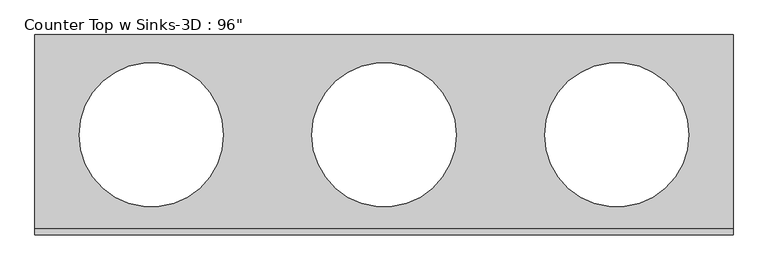
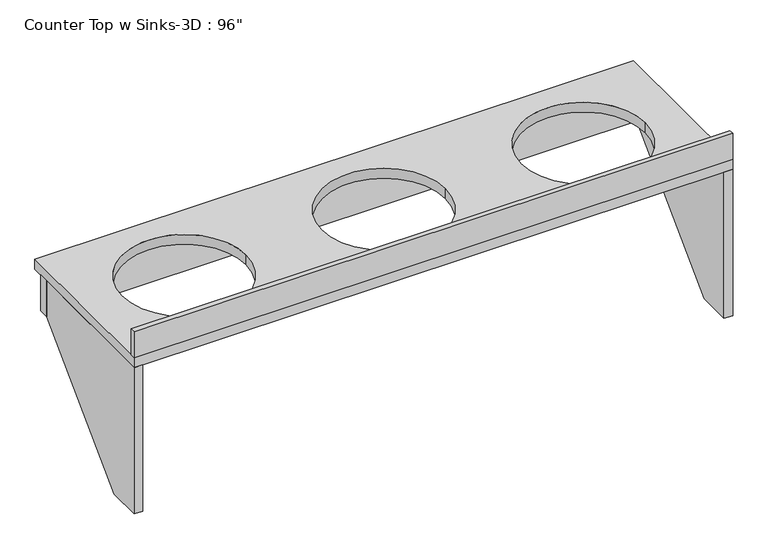
"""IFC4 building model written with IfcOpenShell, lengths in millimetres: furniture geometry."""

from ifc_helpers import new_model, si_unit, point, frame, frame_2d, origin, place, context, project, spatial, polyline, circle_curve, trimmed, segment, composite_curve, outline, extrude, source, transform, mapped, element, save


def furniture_b4aeb504(model_context):
    return source(origin(), model_context, "Body", "SweptSolid", [
        extrude(outline(polyline([(171.45, 825.5), (730.25, 825.5), (730.25, 685.8), (298.45, 254.0), (171.45, 254.0), (171.45, 825.5)])), frame((-1116.1103038, 0.0, 0.0), z_axis=(1.0, 0.0, 0.0), x_axis=(0.0, 1.0, 0.0)), (0.0, 0.0, 1.0), 31.75),
        extrude(outline(polyline([(171.45, 825.5), (730.25, 825.5), (730.25, 685.8), (298.45, 254.0), (171.45, 254.0), (171.45, 825.5)])), frame((1065.1146962, 0.0, 0.0), z_axis=(1.0, 0.0, 0.0), x_axis=(0.0, 1.0, 0.0)), (0.0, 0.0, 1.0), 31.75),
        extrude(outline(polyline([(-1116.1103038, 730.25), (-1116.1103038, 768.35), (1096.8646962, 768.35), (1096.8646962, 730.25), (-1116.1103038, 730.25)])), frame((0.0, 0.0, 685.8), z_axis=(0.0, 0.0, 1.0), x_axis=(1.0, 0.0, 0.0)), (0.0, 0.0, 1.0), 139.7),
        extrude(outline(polyline([(1096.8646962, 171.45), (-1116.1103038, 171.45), (-1116.1103038, 190.5), (1096.8646962, 190.5), (1096.8646962, 171.45)])), frame((0.0, 0.0, 863.6), z_axis=(0.0, 0.0, 1.0), x_axis=(1.0, 0.0, 0.0)), (0.0, 0.0, 1.0), 101.6),
        extrude(outline(polyline([(1096.8646962, 171.45), (-1116.1103038, 171.45), (-1116.1103038, 806.45), (1096.8646962, 806.45), (1096.8646962, 171.45)]), holes=[composite_curve([segment(trimmed(circle_curve(frame_2d((-747.2811371, 488.95)), 228.6), [point((-975.8811371, 488.95))], [point((-518.6811371, 488.95))], True, "CARTESIAN"), True, "CONTINUOUS"), segment(trimmed(circle_curve(frame_2d((-747.2811371, 488.95)), 228.6), [point((-518.6811371, 488.95))], [point((-975.8811371, 488.95))], True, "CARTESIAN"), True, "CONTINUOUS")], self_intersect=False), composite_curve([segment(trimmed(circle_curve(frame_2d((728.0355295, 488.95)), 228.6), [point((499.4355295, 488.95))], [point((956.6355295, 488.95))], True, "CARTESIAN"), True, "CONTINUOUS"), segment(trimmed(circle_curve(frame_2d((728.0355295, 488.95)), 228.6), [point((956.6355295, 488.95))], [point((499.4355295, 488.95))], True, "CARTESIAN"), True, "CONTINUOUS")], self_intersect=False), composite_curve([segment(trimmed(circle_curve(frame_2d((-9.6228038, 488.95)), 228.6), [point((-238.2228038, 488.95))], [point((218.9771962, 488.95))], True, "CARTESIAN"), True, "CONTINUOUS"), segment(trimmed(circle_curve(frame_2d((-9.6228038, 488.95)), 228.6), [point((218.9771962, 488.95))], [point((-238.2228038, 488.95))], True, "CARTESIAN"), True, "CONTINUOUS")], self_intersect=False)]), frame((0.0, 0.0, 825.5), z_axis=(0.0, 0.0, 1.0), x_axis=(1.0, 0.0, 0.0)), (0.0, 0.0, 1.0), 38.1),
    ])


if __name__ == "__main__":
    model = new_model("IFC4")
    model_context = context("Model", 3, world=origin())
    ifc_project = project(units=[si_unit("LENGTHUNIT", "METRE", prefix="MILLI")], contexts=[model_context])
    site = spatial("IfcSite", under=ifc_project)
    building = spatial("IfcBuilding", under=site)
    placement = place(None, origin())
    furniture_shape = furniture_b4aeb504(model_context)
    element("IfcFurniture", 1, ObjectType="Counter Top w Sinks-3D : 96\"", at=placement, inside=building, context=model_context, shape_type="MappedRepresentation", body=[
        mapped(furniture_shape, transform((0.0, 0.0, 0.0), x_axis=(1.0, 0.0, 0.0), y_axis=(0.0, 1.0, 0.0), z_axis=(0.0, 0.0, 1.0))),
    ])
    save(model, "model.ifc")
